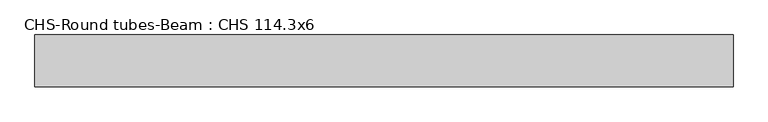
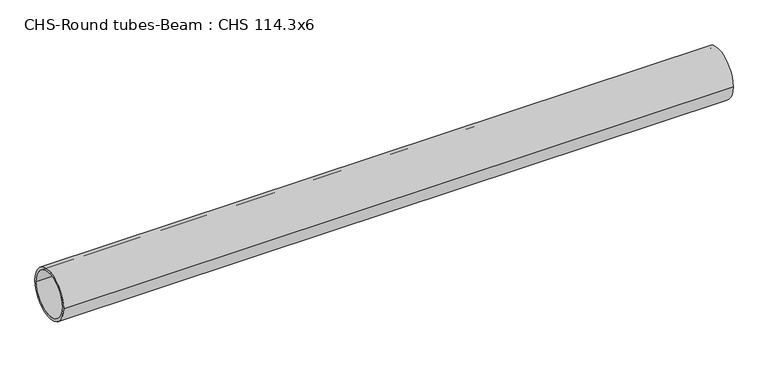
"""IFC4 building model written with IfcOpenShell, lengths in millimetres: beam geometry, CHS-Round tubes-Beam : CHS 114.3x6."""

from ifc_helpers import new_model, si_unit, point, frame, origin, origin_2d, place, context, project, spatial, circle_curve, trimmed, segment, composite_curve, outline, extrude, source, transform, mapped, element, save


def chs_round_tubes_beam_chs_114_3x6_1d63b2e0(model_context):
    return source(origin(), model_context, "Body", "SweptSolid", [
        extrude(outline(composite_curve([segment(trimmed(circle_curve(origin_2d(), 57.15), [point((57.15, 0.0))], [point((-57.15, 0.0))], False, "CARTESIAN"), True, "CONTINUOUS"), segment(trimmed(circle_curve(origin_2d(), 57.15), [point((-57.15, 0.0))], [point((57.15, 0.0))], False, "CARTESIAN"), True, "CONTINUOUS")], self_intersect=False), holes=[composite_curve([segment(trimmed(circle_curve(origin_2d(), 51.15), [point((51.15, 0.0))], [point((-51.15, 0.0))], True, "CARTESIAN"), True, "CONTINUOUS"), segment(trimmed(circle_curve(origin_2d(), 51.15), [point((-51.15, 0.0))], [point((51.15, 0.0))], True, "CARTESIAN"), True, "CONTINUOUS")], self_intersect=False)]), frame((-783.6457892, 0.0, 0.0), z_axis=(1.0, 0.0, 0.0), x_axis=(0.0, 1.0, 0.0)), (0.0, 0.0, 1.0), 1541.7154837),
    ])


if __name__ == "__main__":
    model = new_model("IFC4")
    model_context = context("Model", 3, world=origin())
    ifc_project = project(units=[si_unit("LENGTHUNIT", "METRE", prefix="MILLI")], contexts=[model_context])
    site = spatial("IfcSite", under=ifc_project)
    building = spatial("IfcBuilding", under=site)
    placement = place(None, origin())
    chs_round_tubes_beam_chs_114_3x6_shape = chs_round_tubes_beam_chs_114_3x6_1d63b2e0(model_context)
    element("IfcBeam", 1, ObjectType="CHS-Round tubes-Beam : CHS 114.3x6", at=placement, inside=building, context=model_context, shape_type="MappedRepresentation", body=[
        mapped(chs_round_tubes_beam_chs_114_3x6_shape, transform((0.0, 0.0, 0.0), x_axis=(1.0, 0.0, 0.0), y_axis=(0.0, 1.0, 0.0), z_axis=(0.0, 0.0, 1.0))),
    ])
    save(model, "model.ifc")
